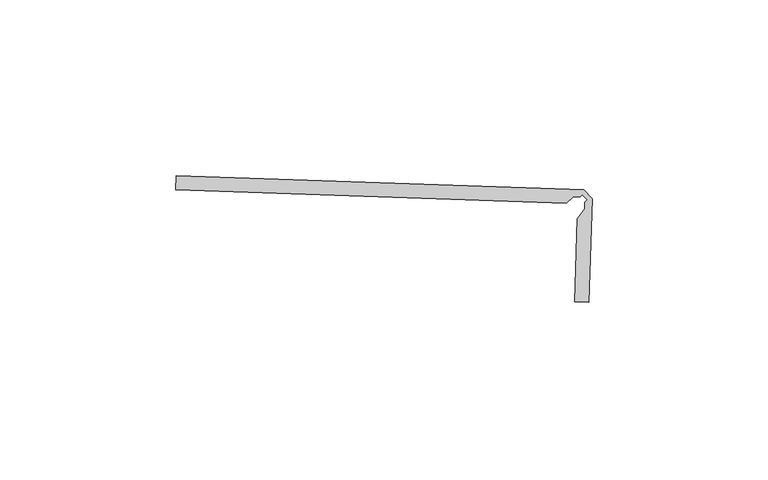
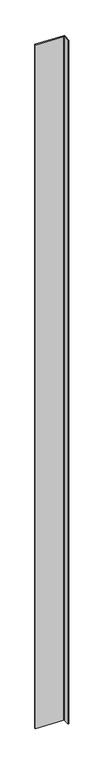
"""IFC4 building model written with IfcOpenShell, lengths in millimetres: proxy geometry."""

from ifc_helpers import new_model, si_unit, frame, origin, place, context, project, spatial, polyline, outline, extrude, source, transform, mapped, element, save


def generic_models_b88dc0b4(model_context):
    return source(origin(), model_context, "Body", "SweptSolid", [
        extrude(outline(polyline([(17305.1165572, -14619.1452944), (17305.252676, -14615.1710693), (17421.1093031, -14619.1357304), (17423.413442, -14621.5940662), (17422.4470626, -14651.0736451), (17418.4783333, -14650.9451479), (17419.2411587, -14627.383969), (17421.3123838, -14624.4936237), (17421.3740239, -14622.5898195), (17422.0270201, -14621.9777816), (17420.6367078, -14620.4944272), (17419.9837115, -14621.1064651), (17418.0799072, -14621.0448246), (17416.0526765, -14622.9448995), (17305.1165572, -14619.1452944)])), frame((0.0, 0.0, 73.975708), z_axis=(0.0, 0.0, 1.0), x_axis=(1.0, 0.0, 0.0)), (0.0, 0.0, 1.0), 2959.11),
    ])


if __name__ == "__main__":
    model = new_model("IFC4")
    model_context = context("Model", 3, world=origin())
    ifc_project = project(units=[si_unit("LENGTHUNIT", "METRE", prefix="MILLI")], contexts=[model_context])
    site = spatial("IfcSite", under=ifc_project)
    building = spatial("IfcBuilding", under=site)
    placement = place(None, origin())
    generic_models_shape = generic_models_b88dc0b4(model_context)
    element("IfcBuildingElementProxy", 1, Name="Generic Models", at=placement, inside=building, context=model_context, shape_type="MappedRepresentation", body=[
        mapped(generic_models_shape, transform((0.0, 0.0, 0.0), x_axis=(1.0, 0.0, 0.0), y_axis=(0.0, 1.0, 0.0), z_axis=(0.0, 0.0, 1.0))),
    ])
    save(model, "model.ifc")
